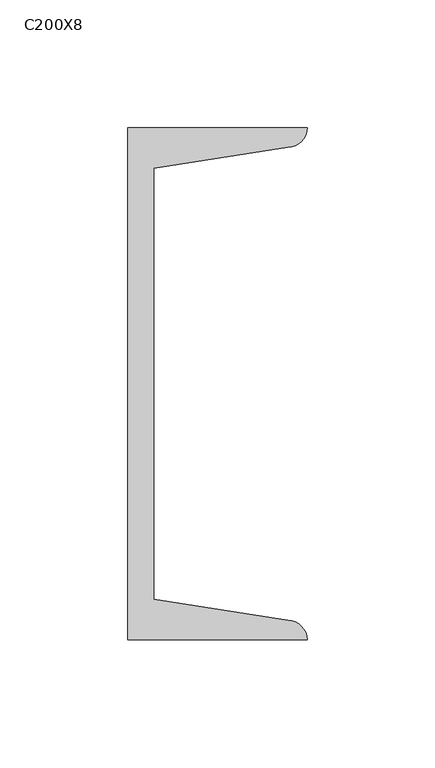
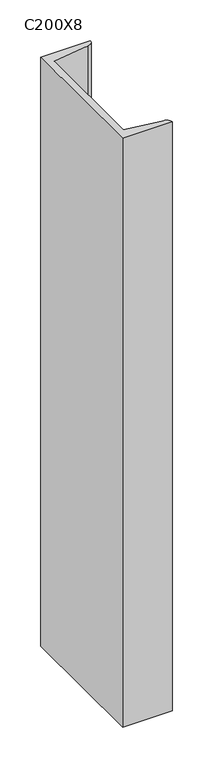
"""IFC4 building model written with IfcOpenShell, lengths in millimetres: column geometry, C200X8."""

from ifc_helpers import new_model, si_unit, point, frame, frame_2d, origin, place, context, project, spatial, polyline, circle_curve, trimmed, segment, composite_curve, outline, extrude, source, transform, mapped, element, save


def c200x8_8943dd07(model_context):
    return source(origin(), model_context, "Body", "SweptSolid", [
        extrude(outline(composite_curve([segment(polyline([(5.0, 100.0), (75.0, 100.0)]), True, "CONTINUOUS"), segment(trimmed(circle_curve(frame_2d((67.5, 100.0)), 7.5), [point((75.0, 100.0))], [point((67.5, 92.5))], False, "CARTESIAN"), True, "CONTINUOUS"), segment(polyline([(67.5, 92.5), (15.0, 84.1848169), (15.0, -84.1848169), (67.5, -92.5)]), True, "CONTINUOUS"), segment(trimmed(circle_curve(frame_2d((67.5, -100.0)), 7.5), [point((67.5, -92.5))], [point((75.0, -100.0))], False, "CARTESIAN"), True, "CONTINUOUS"), segment(polyline([(75.0, -100.0), (5.0, -100.0), (5.0, 100.0)]), True, "CONTINUOUS")], self_intersect=False)), frame((0.0, 0.0, 9380.0), z_axis=(0.0, 0.0, 1.0), x_axis=(1.0, 0.0, 0.0)), (0.0, 0.0, 1.0), 880.0),
    ])


if __name__ == "__main__":
    model = new_model("IFC4")
    model_context = context("Model", 3, world=origin())
    ifc_project = project(units=[si_unit("LENGTHUNIT", "METRE", prefix="MILLI")], contexts=[model_context])
    site = spatial("IfcSite", under=ifc_project)
    building = spatial("IfcBuilding", under=site)
    placement = place(None, origin())
    c200x8_shape = c200x8_8943dd07(model_context)
    element("IfcColumn", 1, ObjectType="C200X8", at=placement, inside=building, context=model_context, shape_type="MappedRepresentation", body=[
        mapped(c200x8_shape, transform((0.0, 0.0, 0.0), x_axis=(1.0, 0.0, 0.0), y_axis=(0.0, 1.0, 0.0), z_axis=(0.0, 0.0, 1.0))),
    ])
    save(model, "model.ifc")
